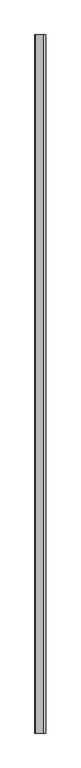
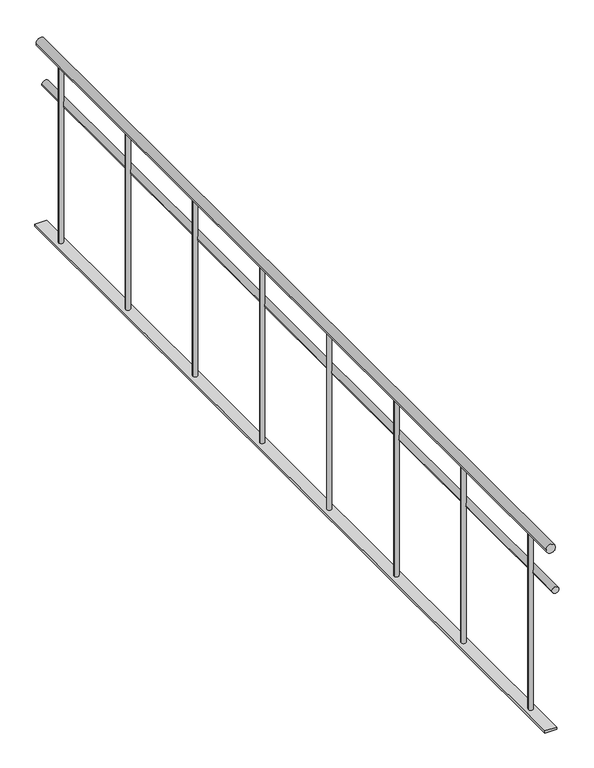
"""IFC4 building model written with IfcOpenShell, lengths in millimetres: railing geometry."""

from ifc_helpers import new_model, si_unit, point, frame, frame_2d, origin, place, context, project, spatial, polyline, circle_curve, trimmed, segment, composite_curve, outline, extrude, source, transform, mapped, element, save


def railing_dc4d40c5(model_context):
    return source(origin(), model_context, "Body", "SweptSolid", [
        extrude(outline(composite_curve([segment(trimmed(circle_curve(frame_2d((880.0, -2044.9887159)), 20.0), [point((880.0, -2064.9887159))], [point((880.0, -2024.9887159))], False, "CARTESIAN"), True, "CONTINUOUS"), segment(trimmed(circle_curve(frame_2d((880.0, -2044.9887159)), 20.0), [point((880.0, -2024.9887159))], [point((880.0, -2064.9887159))], False, "CARTESIAN"), True, "CONTINUOUS")], self_intersect=False)), frame((0.0, 6893.1079487, 0.0), z_axis=(0.0, 1.0, 0.0), x_axis=(0.0, 0.0, 1.0)), (0.0, 0.0, 1.0), 3800.0),
        extrude(outline(composite_curve([segment(trimmed(circle_curve(frame_2d((685.0, -2024.9887159)), 15.0), [point((685.0, -2039.9887159))], [point((685.0, -2009.9887159))], False, "CARTESIAN"), True, "CONTINUOUS"), segment(trimmed(circle_curve(frame_2d((685.0, -2024.9887159)), 15.0), [point((685.0, -2009.9887159))], [point((685.0, -2039.9887159))], False, "CARTESIAN"), True, "CONTINUOUS")], self_intersect=False)), frame((0.0, 6893.1079487, 0.0), z_axis=(0.0, 1.0, 0.0), x_axis=(0.0, 0.0, 1.0)), (0.0, 0.0, 1.0), 3800.0),
        extrude(outline(polyline([(-2069.9887159, 10693.1079487), (-2019.9887159, 10693.1079487), (-2019.9887159, 6893.1079487), (-2069.9887159, 6893.1079487), (-2069.9887159, 10693.1079487)])), frame((0.0, 0.0, 50.0), z_axis=(0.0, 0.0, 1.0), x_axis=(1.0, 0.0, 0.0)), (0.0, 0.0, 1.0), 10.0),
        extrude(outline(composite_curve([segment(trimmed(circle_curve(frame_2d((-2044.9887159, 7043.1079487)), 10.0), [point((-2054.9887159, 7043.1079487))], [point((-2034.9887159, 7043.1079487))], False, "CARTESIAN"), True, "CONTINUOUS"), segment(trimmed(circle_curve(frame_2d((-2044.9887159, 7043.1079487)), 10.0), [point((-2034.9887159, 7043.1079487))], [point((-2054.9887159, 7043.1079487))], False, "CARTESIAN"), True, "CONTINUOUS")], self_intersect=False)), frame((0.0, 0.0, 60.0), z_axis=(0.0, 0.0, 1.0), x_axis=(1.0, 0.0, 0.0)), (0.0, 0.0, 1.0), 800.0),
        extrude(outline(composite_curve([segment(trimmed(circle_curve(frame_2d((-2044.9887159, 7543.1079487)), 10.0), [point((-2054.9887159, 7543.1079487))], [point((-2034.9887159, 7543.1079487))], False, "CARTESIAN"), True, "CONTINUOUS"), segment(trimmed(circle_curve(frame_2d((-2044.9887159, 7543.1079487)), 10.0), [point((-2034.9887159, 7543.1079487))], [point((-2054.9887159, 7543.1079487))], False, "CARTESIAN"), True, "CONTINUOUS")], self_intersect=False)), frame((0.0, 0.0, 60.0), z_axis=(0.0, 0.0, 1.0), x_axis=(1.0, 0.0, 0.0)), (0.0, 0.0, 1.0), 800.0),
        extrude(outline(composite_curve([segment(trimmed(circle_curve(frame_2d((-2044.9887159, 8043.1079487)), 10.0), [point((-2054.9887159, 8043.1079487))], [point((-2034.9887159, 8043.1079487))], False, "CARTESIAN"), True, "CONTINUOUS"), segment(trimmed(circle_curve(frame_2d((-2044.9887159, 8043.1079487)), 10.0), [point((-2034.9887159, 8043.1079487))], [point((-2054.9887159, 8043.1079487))], False, "CARTESIAN"), True, "CONTINUOUS")], self_intersect=False)), frame((0.0, 0.0, 60.0), z_axis=(0.0, 0.0, 1.0), x_axis=(1.0, 0.0, 0.0)), (0.0, 0.0, 1.0), 800.0),
        extrude(outline(composite_curve([segment(trimmed(circle_curve(frame_2d((-2044.9887159, 8543.1079487)), 10.0), [point((-2054.9887159, 8543.1079487))], [point((-2034.9887159, 8543.1079487))], False, "CARTESIAN"), True, "CONTINUOUS"), segment(trimmed(circle_curve(frame_2d((-2044.9887159, 8543.1079487)), 10.0), [point((-2034.9887159, 8543.1079487))], [point((-2054.9887159, 8543.1079487))], False, "CARTESIAN"), True, "CONTINUOUS")], self_intersect=False)), frame((0.0, 0.0, 60.0), z_axis=(0.0, 0.0, 1.0), x_axis=(1.0, 0.0, 0.0)), (0.0, 0.0, 1.0), 800.0),
        extrude(outline(composite_curve([segment(trimmed(circle_curve(frame_2d((-2044.9887159, 9043.1079487)), 10.0), [point((-2054.9887159, 9043.1079487))], [point((-2034.9887159, 9043.1079487))], False, "CARTESIAN"), True, "CONTINUOUS"), segment(trimmed(circle_curve(frame_2d((-2044.9887159, 9043.1079487)), 10.0), [point((-2034.9887159, 9043.1079487))], [point((-2054.9887159, 9043.1079487))], False, "CARTESIAN"), True, "CONTINUOUS")], self_intersect=False)), frame((0.0, 0.0, 60.0), z_axis=(0.0, 0.0, 1.0), x_axis=(1.0, 0.0, 0.0)), (0.0, 0.0, 1.0), 800.0),
        extrude(outline(composite_curve([segment(trimmed(circle_curve(frame_2d((-2044.9887159, 9543.1079487)), 10.0), [point((-2054.9887159, 9543.1079487))], [point((-2034.9887159, 9543.1079487))], False, "CARTESIAN"), True, "CONTINUOUS"), segment(trimmed(circle_curve(frame_2d((-2044.9887159, 9543.1079487)), 10.0), [point((-2034.9887159, 9543.1079487))], [point((-2054.9887159, 9543.1079487))], False, "CARTESIAN"), True, "CONTINUOUS")], self_intersect=False)), frame((0.0, 0.0, 60.0), z_axis=(0.0, 0.0, 1.0), x_axis=(1.0, 0.0, 0.0)), (0.0, 0.0, 1.0), 800.0),
        extrude(outline(composite_curve([segment(trimmed(circle_curve(frame_2d((-2044.9887159, 10043.1079487)), 10.0), [point((-2054.9887159, 10043.1079487))], [point((-2034.9887159, 10043.1079487))], False, "CARTESIAN"), True, "CONTINUOUS"), segment(trimmed(circle_curve(frame_2d((-2044.9887159, 10043.1079487)), 10.0), [point((-2034.9887159, 10043.1079487))], [point((-2054.9887159, 10043.1079487))], False, "CARTESIAN"), True, "CONTINUOUS")], self_intersect=False)), frame((0.0, 0.0, 60.0), z_axis=(0.0, 0.0, 1.0), x_axis=(1.0, 0.0, 0.0)), (0.0, 0.0, 1.0), 800.0),
        extrude(outline(composite_curve([segment(trimmed(circle_curve(frame_2d((-2044.9887159, 10543.1079487)), 10.0), [point((-2054.9887159, 10543.1079487))], [point((-2034.9887159, 10543.1079487))], False, "CARTESIAN"), True, "CONTINUOUS"), segment(trimmed(circle_curve(frame_2d((-2044.9887159, 10543.1079487)), 10.0), [point((-2034.9887159, 10543.1079487))], [point((-2054.9887159, 10543.1079487))], False, "CARTESIAN"), True, "CONTINUOUS")], self_intersect=False)), frame((0.0, 0.0, 60.0), z_axis=(0.0, 0.0, 1.0), x_axis=(1.0, 0.0, 0.0)), (0.0, 0.0, 1.0), 800.0),
    ])


if __name__ == "__main__":
    model = new_model("IFC4")
    model_context = context("Model", 3, world=origin())
    ifc_project = project(units=[si_unit("LENGTHUNIT", "METRE", prefix="MILLI")], contexts=[model_context])
    site = spatial("IfcSite", under=ifc_project)
    building = spatial("IfcBuilding", under=site)
    placement = place(None, origin())
    railing_shape = railing_dc4d40c5(model_context)
    element("IfcRailing", 1, at=placement, inside=building, context=model_context, shape_type="MappedRepresentation", body=[
        mapped(railing_shape, transform((0.0, 0.0, 0.0), x_axis=(1.0, 0.0, 0.0), y_axis=(0.0, 1.0, 0.0), z_axis=(0.0, 0.0, 1.0))),
    ])
    save(model, "model.ifc")
